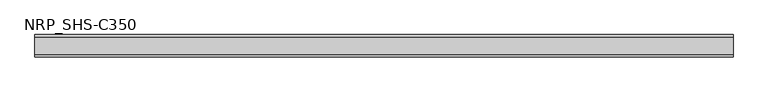
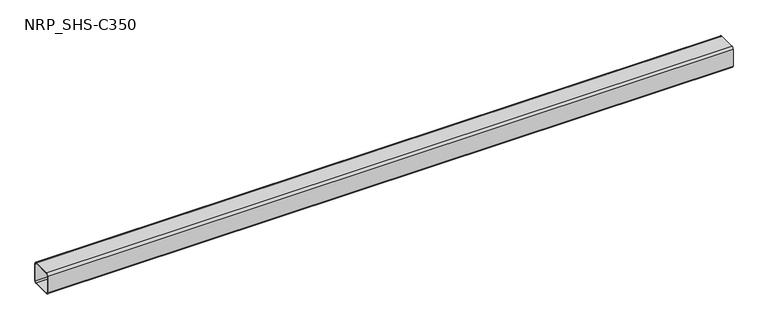
"""IFC4 building model written with IfcOpenShell, lengths in millimetres: member geometry, NRP_SHS-C350."""

from ifc_helpers import new_model, si_unit, point, frame, frame_2d, origin, place, context, project, spatial, polyline, circle_curve, trimmed, segment, composite_curve, outline, extrude, source, transform, mapped, element, save


def nrp_shs_c350_d5de5842(model_context):
    return source(origin(), model_context, "Body", "SweptSolid", [
        extrude(outline(composite_curve([segment(polyline([(44.5, 35.75), (44.5, -35.75)]), True, "CONTINUOUS"), segment(trimmed(circle_curve(frame_2d((35.75, -35.75)), 8.75), [point((44.5, -35.75))], [point((35.75, -44.5))], False, "CARTESIAN"), True, "CONTINUOUS"), segment(polyline([(35.75, -44.5), (-35.75, -44.5)]), True, "CONTINUOUS"), segment(trimmed(circle_curve(frame_2d((-35.75, -35.75)), 8.75), [point((-35.75, -44.5))], [point((-44.5, -35.75))], False, "CARTESIAN"), True, "CONTINUOUS"), segment(polyline([(-44.5, -35.75), (-44.5, 35.75)]), True, "CONTINUOUS"), segment(trimmed(circle_curve(frame_2d((-35.75, 35.75)), 8.75), [point((-44.5, 35.75))], [point((-35.75, 44.5))], False, "CARTESIAN"), True, "CONTINUOUS"), segment(polyline([(-35.75, 44.5), (35.75, 44.5)]), True, "CONTINUOUS"), segment(trimmed(circle_curve(frame_2d((35.75, 35.75)), 8.75), [point((35.75, 44.5))], [point((44.5, 35.75))], False, "CARTESIAN"), True, "CONTINUOUS")], self_intersect=False), holes=[composite_curve([segment(trimmed(circle_curve(frame_2d((-35.75, 35.75)), 5.25), [point((-35.75, 41.0))], [point((-41.0, 35.75))], True, "CARTESIAN"), True, "CONTINUOUS"), segment(polyline([(-41.0, 35.75), (-41.0, -35.75)]), True, "CONTINUOUS"), segment(trimmed(circle_curve(frame_2d((-35.75, -35.75)), 5.25), [point((-41.0, -35.75))], [point((-35.75, -41.0))], True, "CARTESIAN"), True, "CONTINUOUS"), segment(polyline([(-35.75, -41.0), (35.75, -41.0)]), True, "CONTINUOUS"), segment(trimmed(circle_curve(frame_2d((35.75, -35.75)), 5.25), [point((35.75, -41.0))], [point((41.0, -35.75))], True, "CARTESIAN"), True, "CONTINUOUS"), segment(polyline([(41.0, -35.75), (41.0, 35.75)]), True, "CONTINUOUS"), segment(trimmed(circle_curve(frame_2d((35.75, 35.75)), 5.25), [point((41.0, 35.75))], [point((35.75, 41.0))], True, "CARTESIAN"), True, "CONTINUOUS"), segment(polyline([(35.75, 41.0), (-35.75, 41.0)]), True, "CONTINUOUS")], self_intersect=False)]), frame((-1424.0, 0.0, 0.0), z_axis=(1.0, 0.0, 0.0), x_axis=(0.0, 1.0, 0.0)), (0.0, 0.0, 1.0), 2791.0),
    ])


if __name__ == "__main__":
    model = new_model("IFC4")
    model_context = context("Model", 3, world=origin())
    ifc_project = project(units=[si_unit("LENGTHUNIT", "METRE", prefix="MILLI")], contexts=[model_context])
    site = spatial("IfcSite", under=ifc_project)
    building = spatial("IfcBuilding", under=site)
    placement = place(None, origin())
    nrp_shs_c350_shape = nrp_shs_c350_d5de5842(model_context)
    element("IfcMember", 1, ObjectType="NRP_SHS-C350", at=placement, inside=building, context=model_context, shape_type="MappedRepresentation", body=[
        mapped(nrp_shs_c350_shape, transform((0.0, 0.0, 0.0), x_axis=(1.0, 0.0, 0.0), y_axis=(0.0, 1.0, 0.0), z_axis=(0.0, 0.0, 1.0))),
    ])
    save(model, "model.ifc")
